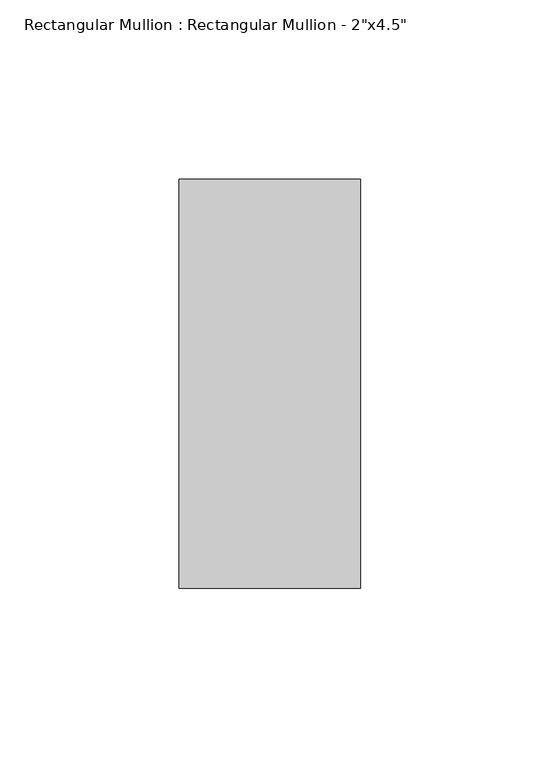
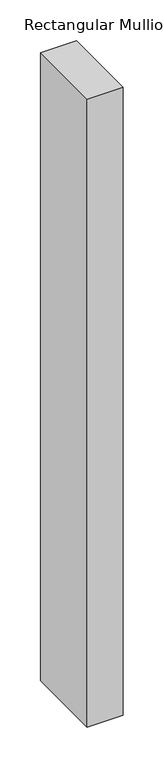
"""IFC4 building model written with IfcOpenShell, lengths in millimetres: member geometry."""

from ifc_helpers import new_model, si_unit, frame, origin, place, context, project, spatial, polyline, outline, extrude, source, transform, mapped, element, save


def member_9c3b810e(model_context):
    return source(origin(), model_context, "Body", "SweptSolid", [
        extrude(outline(polyline([(25.4, 57.15), (25.4, -57.15), (-25.4, -57.15), (-25.4, 57.15), (25.4, 57.15)])), frame((0.0, 0.0, -939.8), z_axis=(0.0, 0.0, 1.0), x_axis=(1.0, 0.0, 0.0)), (0.0, 0.0, 1.0), 939.8),
    ])


if __name__ == "__main__":
    model = new_model("IFC4")
    model_context = context("Model", 3, world=origin())
    ifc_project = project(units=[si_unit("LENGTHUNIT", "METRE", prefix="MILLI")], contexts=[model_context])
    site = spatial("IfcSite", under=ifc_project)
    building = spatial("IfcBuilding", under=site)
    placement = place(None, origin())
    member_shape = member_9c3b810e(model_context)
    element("IfcMember", 1, ObjectType="Rectangular Mullion : Rectangular Mullion - 2\"x4.5\"", at=placement, inside=building, context=model_context, shape_type="MappedRepresentation", body=[
        mapped(member_shape, transform((0.0, 0.0, 0.0), x_axis=(1.0, 0.0, 0.0), y_axis=(0.0, 1.0, 0.0), z_axis=(0.0, 0.0, 1.0))),
    ])
    save(model, "model.ifc")
